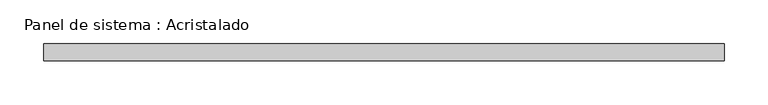
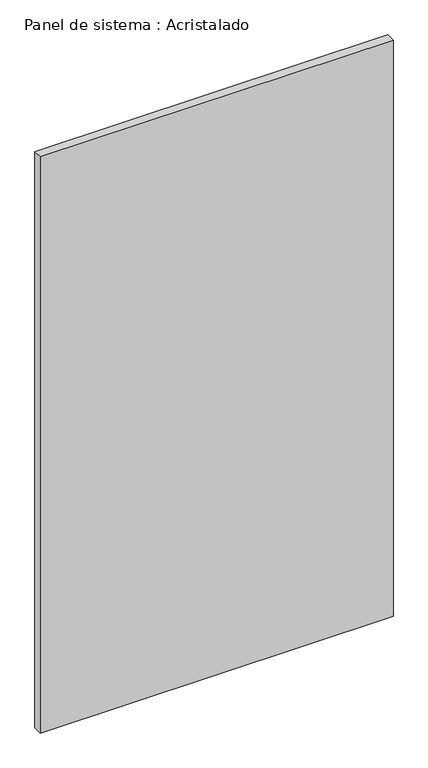
"""IFC4 building model written with IfcOpenShell, lengths in millimetres: plate geometry, Panel de sistema : Acristalado."""

from ifc_helpers import new_model, si_unit, origin, origin_with_axes, place, context, project, spatial, polyline, outline, extrude, source, transform, mapped, element, save


def panel_de_sistema_acristalado_26412b00(model_context):
    return source(origin(), model_context, "Body", "SweptSolid", [
        extrude(outline(polyline([(391.1666667, -10.0), (-391.1666667, -10.0), (-391.1666667, 10.0), (391.1666667, 10.0), (391.1666667, -10.0)])), origin_with_axes(), (0.0, 0.0, 1.0), 1350.0),
    ])


if __name__ == "__main__":
    model = new_model("IFC4")
    model_context = context("Model", 3, world=origin())
    ifc_project = project(units=[si_unit("LENGTHUNIT", "METRE", prefix="MILLI")], contexts=[model_context])
    site = spatial("IfcSite", under=ifc_project)
    building = spatial("IfcBuilding", under=site)
    placement = place(None, origin())
    panel_de_sistema_acristalado_shape = panel_de_sistema_acristalado_26412b00(model_context)
    element("IfcPlate", 1, ObjectType="Panel de sistema : Acristalado", at=placement, inside=building, context=model_context, shape_type="MappedRepresentation", body=[
        mapped(panel_de_sistema_acristalado_shape, transform((0.0, 0.0, 0.0), x_axis=(1.0, 0.0, 0.0), y_axis=(0.0, 1.0, 0.0), z_axis=(0.0, 0.0, 1.0))),
    ])
    save(model, "model.ifc")
